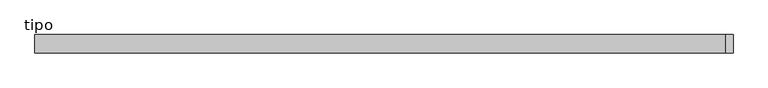
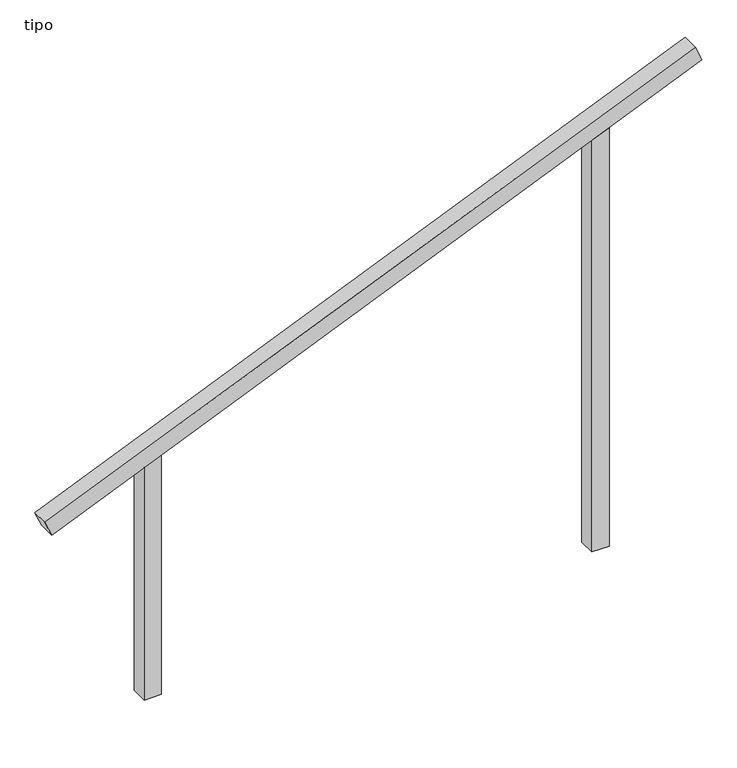
"""IFC4 building model written with IfcOpenShell, lengths in millimetres: proxy geometry, tipo."""

from ifc_helpers import new_model, si_unit, frame, origin, place, context, project, spatial, polyline, outline, extrude, source, transform, mapped, element, save


def tipo_c27f0f30(model_context):
    return source(origin(), model_context, "Body", "SweptSolid", [
        extrude(outline(polyline([(0.0, -4100.0), (0.0, 0.0), (100.0, 0.0), (100.0, -4100.0), (0.0, -4100.0)])), frame((-1888.074226, -100.0, 1201.4539981), z_axis=(-0.3895346350882417, 0.0, 0.9210118175499544), x_axis=(0.0, 1.0, 0.0)), (0.0, 0.0, 1.0), 100.0),
        extrude(outline(polyline([(2570.9717805, 1350.0), (2528.6775746, 1250.0), (0.0, 1250.0), (0.0, 1350.0), (2570.9717805, 1350.0)])), frame((0.0, -100.0, 0.0), z_axis=(0.0, 1.0, 0.0), x_axis=(0.0, 0.0, 1.0)), (0.0, 0.0, 1.0), 100.0),
        extrude(outline(polyline([(1429.0282195, -1350.0), (0.0, -1350.0), (0.0, -1250.0), (1471.3224254, -1250.0), (1429.0282195, -1350.0)])), frame((0.0, -100.0, 0.0), z_axis=(0.0, 1.0, 0.0), x_axis=(0.0, 0.0, 1.0)), (0.0, 0.0, 1.0), 100.0),
    ])


if __name__ == "__main__":
    model = new_model("IFC4")
    model_context = context("Model", 3, world=origin())
    ifc_project = project(units=[si_unit("LENGTHUNIT", "METRE", prefix="MILLI")], contexts=[model_context])
    site = spatial("IfcSite", under=ifc_project)
    building = spatial("IfcBuilding", under=site)
    placement = place(None, origin())
    tipo_shape = tipo_c27f0f30(model_context)
    element("IfcBuildingElementProxy", 1, Name="tipo", ObjectType="tipo", at=placement, inside=building, context=model_context, shape_type="MappedRepresentation", body=[
        mapped(tipo_shape, transform((0.0, 0.0, 0.0), x_axis=(1.0, 0.0, 0.0), y_axis=(0.0, 1.0, 0.0), z_axis=(0.0, 0.0, 1.0))),
    ])
    save(model, "model.ifc")
